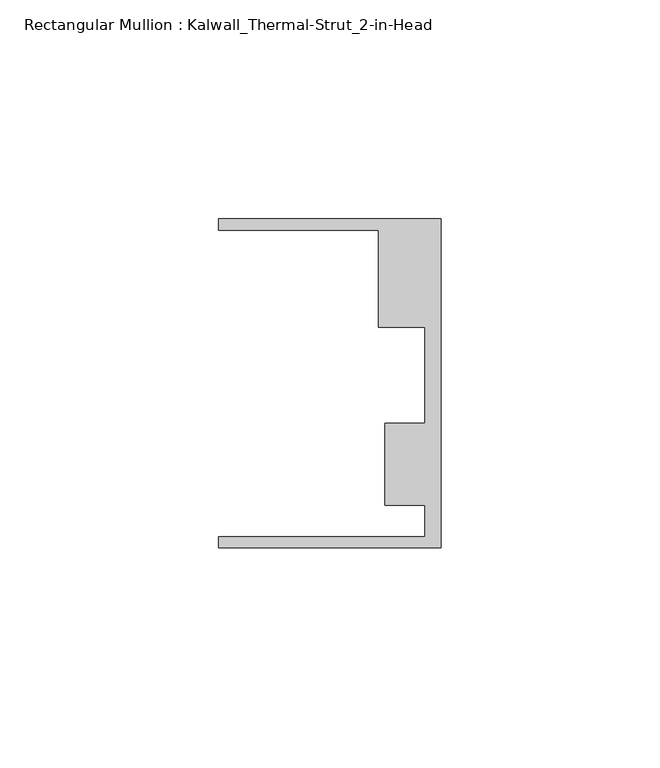
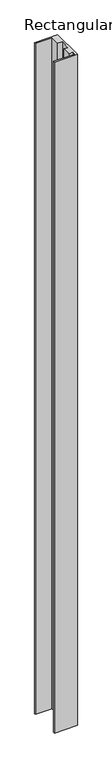
"""IFC4 building model written with IfcOpenShell, lengths in millimetres: member geometry, Rectangular Mullion : Kalwall_Thermal-Strut_2-in-Head."""

from ifc_helpers import new_model, si_unit, frame, origin, place, context, project, spatial, polyline, outline, extrude, source, transform, mapped, element, save


def rectangular_mullion_kalwall_thermal_strut_2_in_head_269eb69b(model_context):
    return source(origin(), model_context, "Body", "SweptSolid", [
        extrude(outline(polyline([(0.0, -37.5776386), (-50.8, -37.5776386), (-50.8, -35.0376386), (-3.7084, -35.0376386), (-3.7084, -27.8888568), (-12.8272539, -27.8888568), (-12.8272539, -9.1879886), (-3.7084, -9.1879886), (-3.7084, 12.7373614), (-14.2875, 12.7373614), (-14.2875, 34.9623614), (-50.8, 34.9623614), (-50.8, 37.5023614), (0.0, 37.5023614), (0.0, -37.5776386)])), frame((0.0, 0.0, -1567.0818003), z_axis=(0.0, 0.0, 1.0), x_axis=(1.0, 0.0, 0.0)), (0.0, 0.0, 1.0), 1567.0818003),
    ])


if __name__ == "__main__":
    model = new_model("IFC4")
    model_context = context("Model", 3, world=origin())
    ifc_project = project(units=[si_unit("LENGTHUNIT", "METRE", prefix="MILLI")], contexts=[model_context])
    site = spatial("IfcSite", under=ifc_project)
    building = spatial("IfcBuilding", under=site)
    placement = place(None, origin())
    rectangular_mullion_kalwall_thermal_strut_2_in_head_shape = rectangular_mullion_kalwall_thermal_strut_2_in_head_269eb69b(model_context)
    element("IfcMember", 1, ObjectType="Rectangular Mullion : Kalwall_Thermal-Strut_2-in-Head", at=placement, inside=building, context=model_context, shape_type="MappedRepresentation", body=[
        mapped(rectangular_mullion_kalwall_thermal_strut_2_in_head_shape, transform((0.0, 0.0, 0.0), x_axis=(1.0, 0.0, 0.0), y_axis=(0.0, 1.0, 0.0), z_axis=(0.0, 0.0, 1.0))),
    ])
    save(model, "model.ifc")
